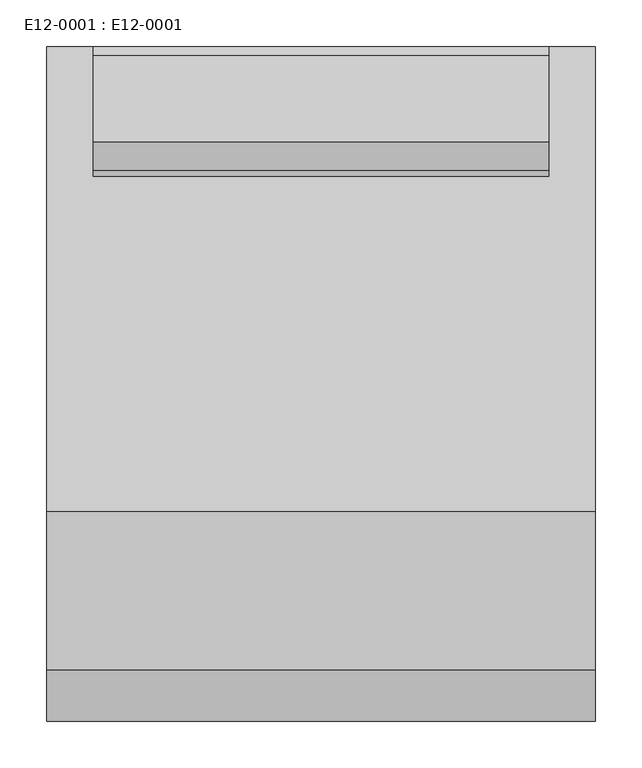
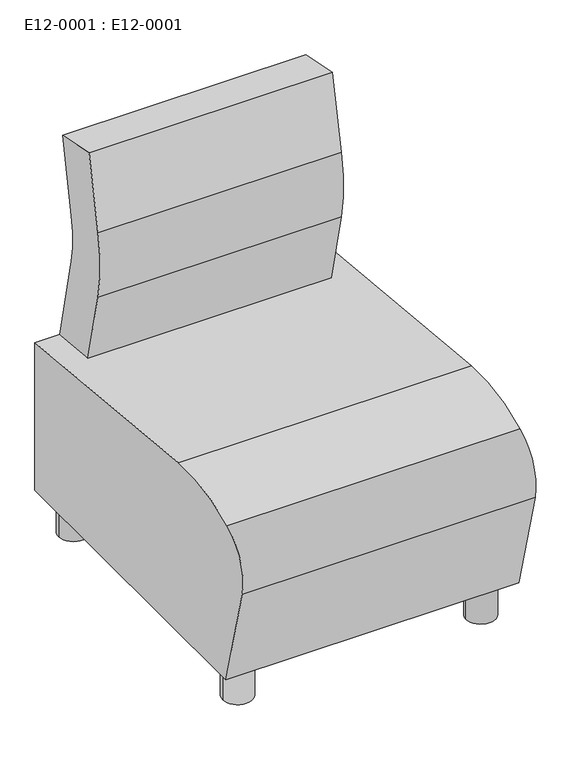
"""IFC4 building model written with IfcOpenShell, lengths in millimetres: furniture geometry, E12-0001 : E12-0001."""

from ifc_helpers import new_model, si_unit, point, frame, frame_2d, origin, origin_with_axes, place, context, project, spatial, polyline, circle_curve, trimmed, segment, composite_curve, outline, extrude, source, transform, mapped, element, save


def e12_0001_e12_0001_b0e92fed(model_context):
    return source(origin(), model_context, "Body", "SweptSolid", [
        extrude(outline(composite_curve([segment(trimmed(circle_curve(frame_2d((-245.0, 314.9616307)), 30.0), [point((-215.0, 314.9616307))], [point((-275.0, 314.9616307))], False, "CARTESIAN"), True, "CONTINUOUS"), segment(trimmed(circle_curve(frame_2d((-245.0, 314.9616307)), 30.0), [point((-275.0, 314.9616307))], [point((-215.0, 314.9616307))], False, "CARTESIAN"), True, "CONTINUOUS")], self_intersect=False)), origin_with_axes(), (0.0, 0.0, 1.0), 90.0),
        extrude(outline(composite_curve([segment(trimmed(circle_curve(frame_2d((245.0, 314.9616307)), 30.0), [point((275.0, 314.9616307))], [point((215.0, 314.9616307))], False, "CARTESIAN"), True, "CONTINUOUS"), segment(trimmed(circle_curve(frame_2d((245.0, 314.9616307)), 30.0), [point((215.0, 314.9616307))], [point((275.0, 314.9616307))], False, "CARTESIAN"), True, "CONTINUOUS")], self_intersect=False)), origin_with_axes(), (0.0, 0.0, 1.0), 90.0),
        extrude(outline(composite_curve([segment(trimmed(circle_curve(frame_2d((-245.0, -257.0910208)), 30.0), [point((-275.0, -257.0910208))], [point((-215.0, -257.0910208))], False, "CARTESIAN"), True, "CONTINUOUS"), segment(trimmed(circle_curve(frame_2d((-245.0, -257.0910208)), 30.0), [point((-215.0, -257.0910208))], [point((-275.0, -257.0910208))], False, "CARTESIAN"), True, "CONTINUOUS")], self_intersect=False)), origin_with_axes(), (0.0, 0.0, 1.0), 90.0),
        extrude(outline(composite_curve([segment(trimmed(circle_curve(frame_2d((245.0, -257.0910208)), 30.0), [point((215.0, -257.0910208))], [point((275.0, -257.0910208))], False, "CARTESIAN"), True, "CONTINUOUS"), segment(trimmed(circle_curve(frame_2d((245.0, -257.0910208)), 30.0), [point((275.0, -257.0910208))], [point((215.0, -257.0910208))], False, "CARTESIAN"), True, "CONTINUOUS")], self_intersect=False)), origin_with_axes(), (0.0, 0.0, 1.0), 90.0),
        extrude(outline(composite_curve([segment(trimmed(circle_curve(frame_2d((535.5364706, 620.1795915)), 218.9716193), [point((321.9613564, 668.4935715))], [point((321.9613564, 571.8656116))], True, "CARTESIAN"), True, "CONTINUOUS"), segment(polyline([(321.9613564, 571.8656116), (362.9089792, 390.8539618), (264.3541018, 400.2653463), (230.2297005, 551.1144983)]), True, "CONTINUOUS"), segment(trimmed(circle_curve(frame_2d((535.5364706, 620.1795915)), 313.0211031), [point((230.2297005, 551.1144983))], [point((229.9768759, 688.1173945))], False, "CARTESIAN"), True, "CONTINUOUS"), segment(polyline([(229.9768759, 688.1173945), (260.7194529, 839.8425183), (352.8958204, 821.165723), (321.9613564, 668.4935715)]), True, "CONTINUOUS")], self_intersect=False)), frame((-245.0, 0.0, 0.0), z_axis=(1.0, 0.0, 0.0), x_axis=(0.0, 1.0, 0.0)), (0.0, 0.0, 1.0), 490.0),
        extrude(outline(composite_curve([segment(polyline([(-136.5276024, 438.5470828), (362.9089792, 390.8539618), (362.9089792, 77.4421756), (-303.5267446, 77.4421756), (-359.7611802, 293.7644405)]), True, "CONTINUOUS"), segment(trimmed(circle_curve(frame_2d((-263.6500621, 318.5633437)), 99.2589171), [point((-359.7611802, 293.7644405))], [point((-306.9348904, 407.8872277))], False, "CARTESIAN"), True, "CONTINUOUS"), segment(trimmed(circle_curve(frame_2d((-167.0263638, 119.1677501)), 320.8322499), [point((-306.9348904, 407.8872277))], [point((-136.5276024, 438.5470828))], False, "CARTESIAN"), True, "CONTINUOUS")], self_intersect=False)), frame((-295.0, 0.0, 0.0), z_axis=(1.0, 0.0, 0.0), x_axis=(0.0, 1.0, 0.0)), (0.0, 0.0, 1.0), 590.0),
    ])


if __name__ == "__main__":
    model = new_model("IFC4")
    model_context = context("Model", 3, world=origin())
    ifc_project = project(units=[si_unit("LENGTHUNIT", "METRE", prefix="MILLI")], contexts=[model_context])
    site = spatial("IfcSite", under=ifc_project)
    building = spatial("IfcBuilding", under=site)
    placement = place(None, origin())
    e12_0001_e12_0001_shape = e12_0001_e12_0001_b0e92fed(model_context)
    element("IfcFurniture", 1, ObjectType="E12-0001 : E12-0001", at=placement, inside=building, context=model_context, shape_type="MappedRepresentation", body=[
        mapped(e12_0001_e12_0001_shape, transform((0.0, 0.0, 0.0), x_axis=(1.0, 0.0, 0.0), y_axis=(0.0, 1.0, 0.0), z_axis=(0.0, 0.0, 1.0))),
    ])
    save(model, "model.ifc")
